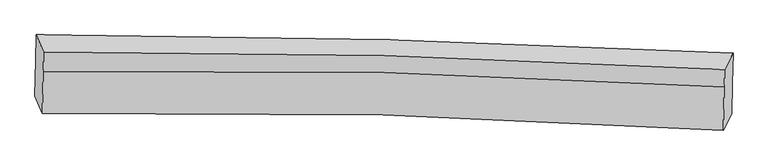
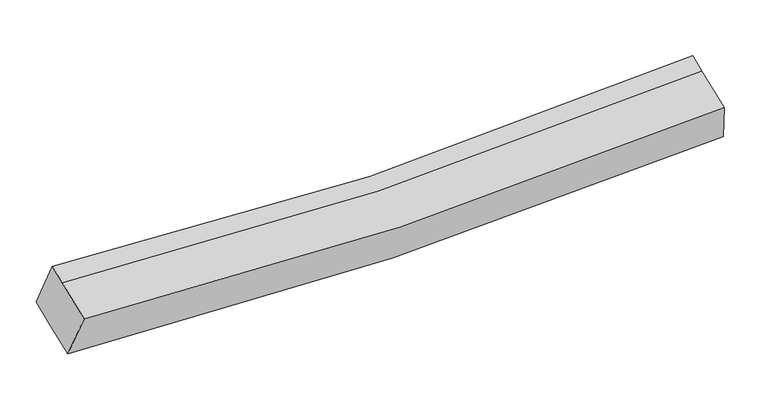
"""IFC4 building model written with IfcOpenShell, lengths in millimetres: proxy geometry."""

from ifc_helpers import new_model, si_unit, frame, origin, place, context, project, spatial, source, transform, mapped, element, save
from ifc_brep_helpers import plane_surface, spline_curve, spline_surface, advanced_brep


def generic_models_b428cae3(model_context):
    return source(origin(), model_context, "Body", "AdvancedBrep", [
        advanced_brep(
        [(-2151.2938571, -1743.6041815, 1745.7942114), (-2146.8433501, -1525.3213844, 1824.2825376), (2134.4996556, -1666.6256, 1906.4793506), (2130.6797164, -1853.9811054, 1839.1116046), (-2105.5880046, -1851.4182369, 2043.0427386), (2078.3558071, -1954.1610334, 2120.6875268), (-2100.3186646, -1592.9743607, 2135.971854), (2083.7804704, -1688.0990594, 2216.3558949), (-2097.8997232, -1474.333206, 2178.631861), (2085.9956853, -1579.4500226, 2255.4230187), (-2143.6055756, -1366.5191506, 1881.3833338), (2138.3195947, -1479.2700946, 1973.8470965)],
        [
            (0, 1),
            (1, 2, spline_curve(3, [(-2146.8433501, -1525.3213844, 1824.2825376), (-1431.279017628, -1536.883464845, 1758.186070114), (-716.868732299, -1554.432340152, 1731.967793131), (710.247557599, -1601.523604795, 1759.2991836), (1422.951607712, -1631.076134557, 1812.916398335), (2134.4996556, -1666.6256, 1906.4793506)], [4, 2, 4], [0.0, 7.0361704913361764, 14.078297520204112])),
            (2, 3),
            (3, 0, spline_curve(3, [(2130.6797164, -1853.9811054, 1839.1116046), (1419.292132061, -1810.561427333, 1748.378558546), (706.61568823, -1779.654911483, 1695.248199036), (-720.711015903, -1742.883763016, 1664.205986146), (-1435.35909652, -1736.997970748, 1686.230548175), (-2151.2938571, -1743.6041815, 1745.7942114)], [4, 2, 4], [0.0, 7.042127028867935, 14.078297520204112])),
            (4, 0),
            (3, 5),
            (5, 4, spline_curve(3, [(2078.3558071, -1954.1610334, 2120.6875268), (1382.616069506, -1909.533090689, 2025.706916156), (685.936299764, -1878.659414027, 1971.760828682), (-708.713227173, -1844.435073116, 1945.948620882), (-1406.681394582, -1841.061150997, 1974.013112352), (-2105.5880046, -1851.4182369, 2043.0427386)], [4, 2, 4], [0.0, 6.962336176405091, 13.91878330585413])),
            (6, 4),
            (5, 7),
            (7, 6, spline_curve(3, [(2083.7804704, -1688.0990594, 2216.3558949), (1388.002878716, -1645.327741101, 2120.707694528), (691.291235276, -1616.017362676, 2066.199489092), (-703.410055984, -1584.331892069, 2039.474375522), (-1401.398124096, -1581.934037341, 2067.187900669), (-2100.3186646, -1592.9743607, 2135.971854)], [4, 2, 4], [0.0, 6.882776592280056, 13.759731432562942])),
            (8, 6),
            (7, 9),
            (9, 8, spline_curve(3, [(2085.9956853, -1579.4500226, 2255.4230187), (1390.137399333, -1540.636488002, 2158.351711248), (693.402417635, -1512.470782832, 2103.431913632), (-701.230867716, -1477.449849149, 2077.906138141), (-1399.127688673, -1470.576615428, 2107.228883219), (-2097.8997232, -1474.333206, 2178.631861)], [4, 2, 4], [0.0, 6.882814193435978, 13.759806603070093])),
            (10, 8),
            (9, 11),
            (11, 10, spline_curve(3, [(2138.3195947, -1479.2700946, 1973.8470965), (1426.81346193, -1441.664824454, 1881.023353699), (714.081805898, -1413.466280301, 1826.919283955), (-713.228656443, -1375.898539037, 1796.163503437), (-1427.805390662, -1366.513435093, 1819.44631898), (-2143.6055756, -1366.5191506, 1881.3833338)], [4, 2, 4], [0.0, 6.962445815086822, 13.919002490480423])),
            (1, 10),
            (11, 2),
        ],
        [
            spline_surface(3, 3, [[(-2151.2938571, -1743.6041815, 1745.7942114), (-1435.359096429, -1736.997970703, 1686.230548198), (-720.711015805, -1742.883762959, 1664.205986261), (706.615688132, -1779.65491154, 1695.248198921), (1419.292131983, -1810.561427217, 1748.378558588), (2130.6797164, -1853.9811054, 1839.1116046)], [(-2149.810354752, -1670.843249119, 1771.956986797), (-1433.999070155, -1670.293135419, 1710.215722196), (-719.430254646, -1680.066622018, 1686.793255221), (707.826311303, -1720.277809263, 1716.598527178), (1420.511957167, -1750.732996342, 1769.891171856), (2131.953029441, -1791.529270256, 1861.567519918)], [(-2148.326852448, -1598.082316781, 1798.119762203), (-1432.639043925, -1603.588300177, 1734.200896204), (-718.149493494, -1617.249481128, 1709.38052413), (709.036934466, -1660.900707037, 1737.948855383), (1421.731782427, -1690.9045655, 1791.403785171), (2133.226342559, -1729.077435144, 1884.023435282)], [(-2146.8433501, -1525.3213844, 1824.2825376), (-1431.279017651, -1536.883464893, 1758.186070202), (-716.868732336, -1554.432340187, 1731.967793091), (710.247557636, -1601.52360476, 1759.29918364), (1422.95160761, -1631.076134625, 1812.916398438), (2134.4996556, -1666.6256, 1906.4793506)]], [4, 4], [4, 2, 4], [0.0, 0.6391454744710212], [0.0, 7.0361704913361764, 14.078297520204112]),
            spline_surface(3, 3, [[(-2105.5880046, -1851.4182369, 2043.0427386), (-1406.681394494, -1841.061151033, 1974.013112316), (-708.713227108, -1844.435073182, 1945.94862086), (685.936299698, -1878.65941396, 1971.760828703), (1382.616069536, -1909.533090608, 2025.706916247), (2078.3558071, -1954.1610334, 2120.6875268)], [(-2120.823288756, -1815.480218439, 1943.959896201), (-1416.240628462, -1806.373424261, 1878.085590944), (-712.712490032, -1810.584636444, 1852.034409335), (692.829429151, -1845.657913156, 1879.589952117), (1394.841423703, -1876.542536149, 1933.264130375), (2095.797110218, -1920.767724071, 2026.82888608)], [(-2136.058572944, -1779.542199961, 1844.877053799), (-1425.799862461, -1771.685697474, 1782.15806957), (-716.711752881, -1776.734199698, 1758.120197786), (699.722558679, -1812.656412344, 1787.419075507), (1407.066777816, -1843.551981677, 1840.821344461), (2113.238413282, -1887.374414729, 1932.97024532)], [(-2151.2938571, -1743.6041815, 1745.7942114), (-1435.359096429, -1736.997970703, 1686.230548198), (-720.711015805, -1742.883762959, 1664.205986261), (706.615688132, -1779.65491154, 1695.248198921), (1419.292131983, -1810.561427217, 1748.378558588), (2130.6797164, -1853.9811054, 1839.1116046)]], [4, 4], [4, 2, 4], [0.0, 0.9731736887837071], [0.0, 6.95644712944904, 13.91878330585413]),
            spline_surface(3, 3, [[(-2100.3186646, -1592.9743607, 2135.971854), (-1401.398124157, -1581.93403741, 2067.187900588), (-703.410055912, -1584.331891955, 2039.474375438), (691.291235204, -1616.01736279, 2066.199489176), (1388.002878636, -1645.327741141, 2120.707694625), (2083.7804704, -1688.0990594, 2216.3558949)], [(-2102.075111293, -1679.122319417, 2104.995482188), (-1403.159214295, -1668.309741935, 2036.129637819), (-705.177779641, -1671.032952362, 2008.299123887), (689.506256706, -1703.564713178, 2034.71993566), (1386.207275586, -1733.396190962, 2089.040768476), (2081.972249284, -1776.786384066, 2184.466438844)], [(-2103.831557907, -1765.270278183, 2074.019110412), (-1404.920304356, -1754.685446508, 2005.071375085), (-706.945503379, -1757.734012775, 1977.123872411), (687.721278197, -1791.112063572, 2003.240382219), (1384.411672585, -1821.464640787, 2057.373842396), (2080.164028216, -1865.473708734, 2152.576982856)], [(-2105.5880046, -1851.4182369, 2043.0427386), (-1406.681394494, -1841.061151033, 1974.013112316), (-708.713227108, -1844.435073182, 1945.94862086), (685.936299698, -1878.65941396, 1971.760828703), (1382.616069536, -1909.533090608, 2025.706916247), (2078.3558071, -1954.1610334, 2120.6875268)]], [4, 4], [4, 2, 4], [0.0, 0.9114438544467899], [0.0, 6.876954840282886, 13.759731432562942]),
            spline_surface(3, 3, [[(-2097.8997232, -1474.333206, 2178.631861), (-1399.12768875, -1470.576615395, 2107.228883119), (-701.230867688, -1477.449849149, 2077.906138116), (693.402417607, -1512.470782833, 2103.431913658), (1390.13739939, -1540.636487956, 2158.351711266), (2085.9956853, -1579.4500226, 2255.4230187)], [(-2098.706037, -1513.880257582, 2164.411858668), (-1399.884500553, -1507.695756082, 2093.881888943), (-701.957263738, -1513.077196754, 2065.095550581), (692.698690165, -1546.986309488, 2091.021105522), (1389.425892473, -1575.533572374, 2145.803705739), (2085.257280334, -1615.666368223, 2242.400644121)], [(-2099.5123508, -1553.427309118, 2150.191856332), (-1400.641312355, -1544.814896723, 2080.534894764), (-702.683659863, -1548.70454435, 2052.284962973), (691.994962647, -1581.501836135, 2078.610297312), (1388.714385553, -1610.430656723, 2133.255700151), (2084.518875366, -1651.882713777, 2229.378269479)], [(-2100.3186646, -1592.9743607, 2135.971854), (-1401.398124157, -1581.93403741, 2067.187900588), (-703.410055912, -1584.331891955, 2039.474375438), (691.291235204, -1616.01736279, 2066.199489176), (1388.002878636, -1645.327741141, 2120.707694625), (2083.7804704, -1688.0990594, 2216.3558949)]], [4, 4], [4, 2, 4], [0.0, 0.3668909920835582], [0.0, 6.876992409634115, 13.759806603070093]),
            spline_surface(3, 3, [[(-2143.6055756, -1366.5191506, 1881.3833338), (-1427.805390585, -1366.513435066, 1819.446319001), (-713.228656486, -1375.898538925, 1796.163503516), (714.081805941, -1413.466280413, 1826.919283876), (1426.813461938, -1441.664824565, 1881.023353606), (2138.3195947, -1479.2700946, 1973.8470965)], [(-2128.370291444, -1402.457169061, 1980.466176199), (-1418.246156618, -1401.201161837, 1915.373840373), (-709.229393562, -1409.748975664, 1890.077715041), (707.188676488, -1446.467781217, 1919.090160462), (1414.58810777, -1474.655379025, 1973.466139479), (2120.878291582, -1512.663403929, 2067.70573722)], [(-2113.135007356, -1438.395187539, 2079.549018601), (-1408.686922718, -1435.888888624, 2011.301361747), (-705.230130612, -1443.59941241, 1983.991926591), (700.29554706, -1479.469282028, 2011.261037072), (1402.362753558, -1507.645933497, 2065.908925393), (2103.436988418, -1546.056713271, 2161.56437798)], [(-2097.8997232, -1474.333206, 2178.631861), (-1399.12768875, -1470.576615395, 2107.228883119), (-701.230867688, -1477.449849149, 2077.906138116), (693.402417607, -1512.470782833, 2103.431913658), (1390.13739939, -1540.636487956, 2158.351711266), (2085.9956853, -1579.4500226, 2255.4230187)]], [4, 4], [4, 2, 4], [0.0, 0.9731736887836433], [0.0, 6.9565566753936015, 13.919002490480423]),
            spline_surface(3, 3, [[(-2146.8433501, -1525.3213844, 1824.2825376), (-1431.279017651, -1536.883464893, 1758.186070202), (-716.868732336, -1554.432340187, 1731.967793091), (710.247557636, -1601.52360476, 1759.29918364), (1422.95160761, -1631.076134625, 1812.916398438), (2134.4996556, -1666.6256, 1906.4793506)], [(-2145.764091955, -1472.387306482, 1843.316136347), (-1430.121141984, -1480.093454966, 1778.606153149), (-715.655373716, -1494.921073116, 1753.366363216), (711.525640407, -1538.837829994, 1781.839217035), (1424.238892394, -1567.939031261, 1835.618716845), (2135.772968641, -1604.173764856, 1928.935265918)], [(-2144.684833745, -1419.453228518, 1862.349735053), (-1428.963266252, -1423.303444992, 1799.026236054), (-714.442015105, -1435.409805996, 1774.764933391), (712.80372317, -1476.152055179, 1804.37925048), (1425.526177154, -1504.801927929, 1858.321035199), (2137.046281659, -1541.721929744, 1951.391181182)], [(-2143.6055756, -1366.5191506, 1881.3833338), (-1427.805390585, -1366.513435066, 1819.446319001), (-713.228656486, -1375.898538925, 1796.163503516), (714.081805941, -1413.466280413, 1826.919283876), (1426.813461938, -1441.664824565, 1881.023353606), (2138.3195947, -1479.2700946, 1973.8470965)]], [4, 4], [4, 2, 4], [0.0, 0.639189372059339], [0.0, 7.036291998310635, 14.078540637015923]),
            plane_surface(frame((2108.3377009, -1716.715564, 2047.2673116), z_axis=(0.9848311713546785, -0.07614252858520734, 0.15591625723067853), x_axis=(-0.019182577824689788, -0.9408426281778974, -0.33830042523075055))),
            plane_surface(frame((-2124.5967901, -1608.9686937, 1962.2130362), z_axis=(-0.9895278439290333, -0.030550317200559438, 0.14107205324976393), x_axis=(-0.019182577824754625, -0.9408426281778893, -0.33830042523076914))),
        ],
        [
            (0, [[1, 2, 3, 4]]),
            (1, [[5, -4, 6, 7]]),
            (2, [[8, -7, 9, 10]]),
            (3, [[11, -10, 12, 13]]),
            (4, [[14, -13, 15, 16]]),
            (5, [[17, -16, 18, -2]]),
            (6, [[-12, -9, -6, -3, -18, -15]]),
            (7, [[-1, -5, -8, -11, -14, -17]]),
        ],
    ),
    ])


if __name__ == "__main__":
    model = new_model("IFC4")
    model_context = context("Model", 3, world=origin())
    ifc_project = project(units=[si_unit("LENGTHUNIT", "METRE", prefix="MILLI")], contexts=[model_context])
    site = spatial("IfcSite", under=ifc_project)
    building = spatial("IfcBuilding", under=site)
    placement = place(None, origin())
    generic_models_shape = generic_models_b428cae3(model_context)
    element("IfcBuildingElementProxy", 1, Name="Generic Models", at=placement, inside=building, context=model_context, shape_type="MappedRepresentation", body=[
        mapped(generic_models_shape, transform((0.0, 0.0, 0.0), x_axis=(1.0, 0.0, 0.0), y_axis=(0.0, 1.0, 0.0), z_axis=(0.0, 0.0, 1.0))),
    ])
    save(model, "model.ifc")
